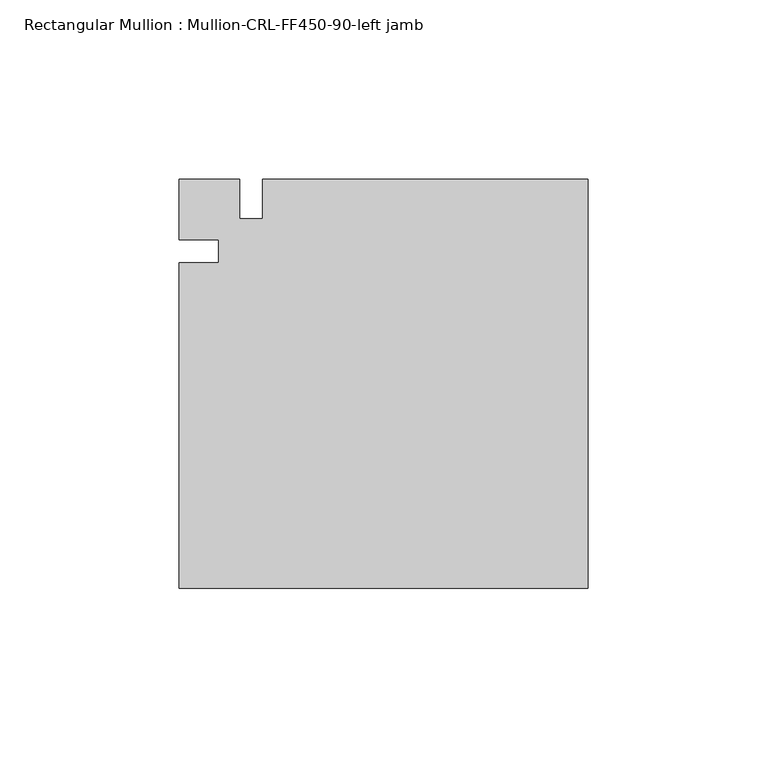
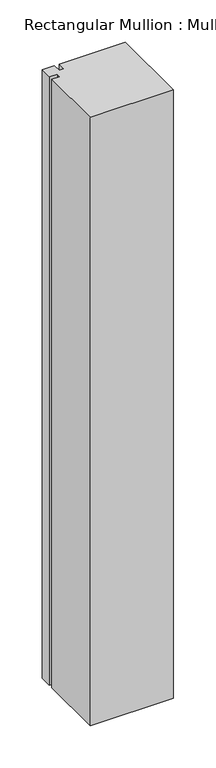
"""IFC4 building model written with IfcOpenShell, lengths in millimetres: member geometry, Rectangular Mullion : Mullion-CRL-FF450-90-left jamb."""

from ifc_helpers import new_model, si_unit, frame, origin, place, context, project, spatial, polyline, outline, extrude, source, transform, mapped, element, save


def rectangular_mullion_mullion_crl_ff450_90_left_jamb_40cc85e9(model_context):
    return source(origin(), model_context, "Body", "SweptSolid", [
        extrude(outline(polyline([(-114.3, -94.139185), (-114.3, -3.1555912), (-103.1875103, -3.1555912), (-103.1875103, 3.1944088), (-114.3, 3.1944088), (-114.3, 20.160815), (-97.3545868, 20.160815), (-97.3545868, 9.0483253), (-90.9955, 9.0483253), (-90.9955, 20.160815), (0.0, 20.160815), (0.0, -94.139185), (-114.3, -94.139185)])), frame((0.0, 0.0, -882.65), z_axis=(0.0, 0.0, 1.0), x_axis=(1.0, 0.0, 0.0)), (0.0, 0.0, 1.0), 882.65),
    ])


if __name__ == "__main__":
    model = new_model("IFC4")
    model_context = context("Model", 3, world=origin())
    ifc_project = project(units=[si_unit("LENGTHUNIT", "METRE", prefix="MILLI")], contexts=[model_context])
    site = spatial("IfcSite", under=ifc_project)
    building = spatial("IfcBuilding", under=site)
    placement = place(None, origin())
    rectangular_mullion_mullion_crl_ff450_90_left_jamb_shape = rectangular_mullion_mullion_crl_ff450_90_left_jamb_40cc85e9(model_context)
    element("IfcMember", 1, ObjectType="Rectangular Mullion : Mullion-CRL-FF450-90-left jamb", at=placement, inside=building, context=model_context, shape_type="MappedRepresentation", body=[
        mapped(rectangular_mullion_mullion_crl_ff450_90_left_jamb_shape, transform((0.0, 0.0, 0.0), x_axis=(1.0, 0.0, 0.0), y_axis=(0.0, 1.0, 0.0), z_axis=(0.0, 0.0, 1.0))),
    ])
    save(model, "model.ifc")
